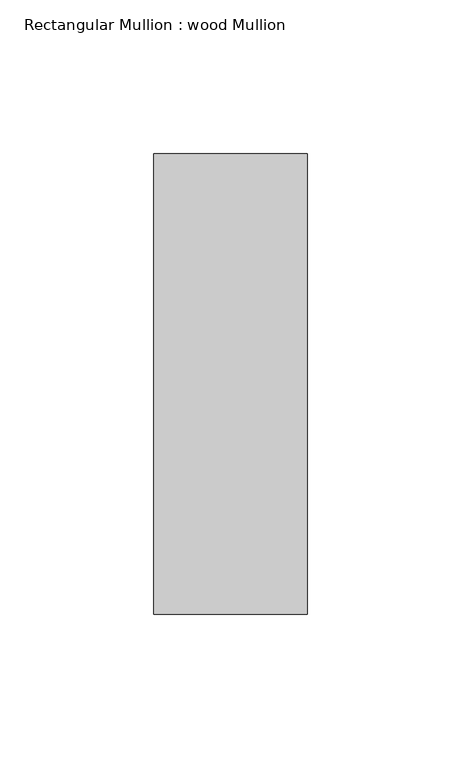
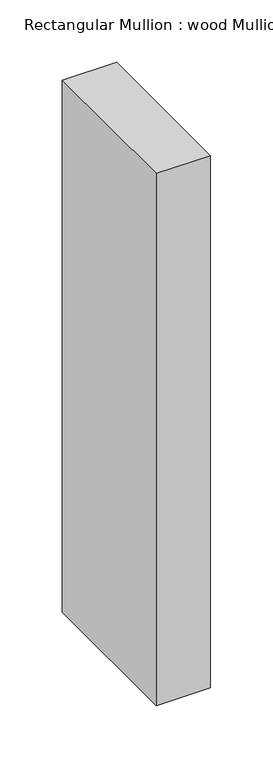
"""IFC4 building model written with IfcOpenShell, lengths in millimetres: member geometry, Rectangular Mullion : wood Mullion."""

import ifcopenshell
import ifcopenshell.guid

model = None  # the IFC model being written
_history = None  # IfcOwnerHistory: only IFC2X3 demands one
_inside = {}  # id of a spatial element -> (the spatial element, [elements in it])
_under = {}  # id of a project, library or spatial element -> (it, [spatial elements below it])
_declared = {}  # id of a project -> (the project, [libraries it declares])
_typed = {}  # id of a type object -> (the type object, [elements of that type])
_made_of = {}  # id of a material, layer set ... -> (it, [elements and type objects made of it])


def new_model(schema):
    """Start an empty IFC model of exactly this schema.

    Asked for "IFC4X3", IfcOpenShell would pick the latest addendum, in which some entities
    have other attributes; the version numbers below select the first issue.
    IFC2X3 requires an IfcOwnerHistory on every rooted entity: one is made here for all.
    """
    global model, _history
    if schema == "IFC4X3":
        model = ifcopenshell.file(schema_version=(4, 3, 0, 0))
    else:
        model = ifcopenshell.file(schema=schema)
    _inside.clear()
    _under.clear()
    _declared.clear()
    _typed.clear()
    _made_of.clear()
    _history = None
    if model.schema == "IFC2X3":
        org = make("IfcOrganization", Name="unknown")
        user = make(
            "IfcPersonAndOrganization",
            ThePerson=make("IfcPerson", FamilyName="unknown"),
            TheOrganization=org,
        )
        app = make(
            "IfcApplication",
            ApplicationDeveloper=org,
            Version="unknown",
            ApplicationFullName="unknown",
            ApplicationIdentifier="unknown",
        )
        _history = make(
            "IfcOwnerHistory",
            OwningUser=user,
            OwningApplication=app,
            ChangeAction="ADDED",
            CreationDate=0,
        )
    return model


def make(cls, **values):
    """One entity of the class cls with the attributes given. An attribute that is None is left unset."""
    return model.create_entity(
        cls, **{name: value for name, value in values.items() if value is not None}
    )


def rooted(cls, **values):
    """An entity with a GlobalId (a new one), such as an element, a storey or a relation."""
    return make(cls, GlobalId=ifcopenshell.guid.new(), OwnerHistory=_history, **values)


def si_unit(unit_type, name, prefix=None):
    """IfcSIUnit, for example si_unit("LENGTHUNIT", "METRE", prefix="MILLI")."""
    return make("IfcSIUnit", UnitType=unit_type, Prefix=prefix, Name=name)


def assignment(units):
    """IfcUnitAssignment: the units of a project."""
    return None if units is None else make("IfcUnitAssignment", Units=units)


def point(xyz):
    """IfcCartesianPoint."""
    return None if xyz is None else make("IfcCartesianPoint", Coordinates=xyz)


def direction(xyz):
    """IfcDirection."""
    return None if xyz is None else make("IfcDirection", DirectionRatios=xyz)


def frame(location, z_axis=None, x_axis=None):
    """IfcAxis2Placement3D, a coordinate frame: its origin and axes. An axis left out is left unset."""
    return make(
        "IfcAxis2Placement3D",
        Location=point(location),
        Axis=direction(z_axis),
        RefDirection=direction(x_axis),
    )


def origin():
    """The frame at (0, 0, 0) with its axes left unset."""
    return frame((0.0, 0.0, 0.0))


def place(relative_to, where):
    """IfcLocalPlacement: puts the frame where relative to a parent placement (None: the world)."""
    return make(
        "IfcLocalPlacement", PlacementRelTo=relative_to, RelativePlacement=where
    )


def context(
    kind, dimensions, precision=None, world=None, true_north=None, identifier=None
):
    """IfcGeometricRepresentationContext, for example the 3D "Model" context."""
    return make(
        "IfcGeometricRepresentationContext",
        ContextIdentifier=identifier,
        ContextType=kind,
        CoordinateSpaceDimension=dimensions,
        Precision=precision,
        WorldCoordinateSystem=world,
        TrueNorth=true_north,
    )


def project(units=None, contexts=None):
    """IfcProject with its units and contexts."""
    return rooted(
        "IfcProject",
        Name="project",
        RepresentationContexts=contexts,
        UnitsInContext=assignment(units),
    )


def spatial(cls, under=None, at=None, **own):
    """A site, building, storey or space (cls), placed at a placement, below another one or the project."""
    s = rooted(cls, ObjectPlacement=at, **own)
    if under is not None:
        _under.setdefault(under.id(), (under, []))[1].append(s)
    return s


def polyline(points):
    """IfcPolyline through the points."""
    return make("IfcPolyline", Points=[point(p) for p in points])


def outline(outer, holes=None, kind="AREA"):
    """IfcArbitraryClosedProfileDef: a profile drawn as a closed curve; with holes, ...WithVoids."""
    if holes is None:
        return make("IfcArbitraryClosedProfileDef", ProfileType=kind, OuterCurve=outer)
    return make(
        "IfcArbitraryProfileDefWithVoids",
        ProfileType=kind,
        OuterCurve=outer,
        InnerCurves=holes,
    )


def extrude(swept, where, along, depth):
    """IfcExtrudedAreaSolid: the profile swept, set in the frame where, extruded along a direction by depth."""
    return make(
        "IfcExtrudedAreaSolid",
        SweptArea=swept,
        Position=where,
        ExtrudedDirection=direction(along),
        Depth=depth,
    )


def shape(context_of_items, identifier, shape_type, items):
    """IfcShapeRepresentation: the items that make up one representation, for example the "Body"."""
    return make(
        "IfcShapeRepresentation",
        ContextOfItems=context_of_items,
        RepresentationIdentifier=identifier,
        RepresentationType=shape_type,
        Items=items,
    )


def source(mapping_origin, context_of_items, identifier, shape_type, items):
    """IfcRepresentationMap: a shape defined once, which mapped items show again and again."""
    return make(
        "IfcRepresentationMap",
        MappingOrigin=mapping_origin,
        MappedRepresentation=shape(context_of_items, identifier, shape_type, items),
    )


def transform(
    local_origin,
    x_axis=None,
    y_axis=None,
    z_axis=None,
    scale=None,
    scale2=None,
    scale3=None,
    uniform=True,
):
    """IfcCartesianTransformationOperator3D, or its non-uniform kind. x_axis, y_axis, z_axis: its Axis1, 2, 3."""
    if uniform:
        return make(
            "IfcCartesianTransformationOperator3D",
            Axis1=direction(x_axis),
            Axis2=direction(y_axis),
            LocalOrigin=point(local_origin),
            Scale=scale,
            Axis3=direction(z_axis),
        )
    return make(
        "IfcCartesianTransformationOperator3DnonUniform",
        Axis1=direction(x_axis),
        Axis2=direction(y_axis),
        LocalOrigin=point(local_origin),
        Scale=scale,
        Axis3=direction(z_axis),
        Scale2=scale2,
        Scale3=scale3,
    )


def mapped(mapping_source, mapping_target):
    """IfcMappedItem: shows the shape of a source again, moved by a transform."""
    return make(
        "IfcMappedItem", MappingSource=mapping_source, MappingTarget=mapping_target
    )


def made_of(thing, what):
    """Note that an element or type object is made of a material, layer set ...; save() writes the relation."""
    if what is not None:
        _made_of.setdefault(what.id(), (what, []))[1].append(thing)
    return thing


def element(
    cls,
    number,
    at=None,
    inside=None,
    cuts=None,
    type_object=None,
    material=None,
    context=None,
    identifier="Body",
    shape_type=None,
    held_by="IfcProductDefinitionShape",
    body=None,
    shapes=None,
    **own,
):
    """One element of the class cls, such as IfcWall. Its Tag is "e" and its number.

    at: its placement. inside: the storey or other place that contains it. cuts: it is an
    opening in that element (IfcRelVoidsElement). A single representation is given by context,
    identifier, shape_type and body (its items); several are given by shapes. held_by: the class
    of the entity that holds the representations. save() writes the other relations.
    """
    e = rooted(cls, Tag="e%d" % number, ObjectPlacement=at, **own)
    if body is not None:
        shapes = [shape(context, identifier, shape_type, body)]
    if shapes is not None:
        e.Representation = make(held_by, Representations=shapes)
    if inside is not None:
        _inside.setdefault(inside.id(), (inside, []))[1].append(e)
    if cuts is not None:
        rooted(
            "IfcRelVoidsElement", RelatingBuildingElement=cuts, RelatedOpeningElement=e
        )
    if type_object is not None:
        _typed.setdefault(type_object.id(), (type_object, []))[1].append(e)
    return made_of(e, material)


def aggregate(whole, parts):
    """IfcRelAggregates: a whole, such as a stair, and the parts it consists of."""
    return rooted("IfcRelAggregates", RelatingObject=whole, RelatedObjects=parts)


def save(model, path):
    """Write the relations noted so far, then the file.

    IfcRelAggregates (storeys below a building ...), IfcRelContainedInSpatialStructure (elements
    in a storey), IfcRelDefinesByType, IfcRelAssociatesMaterial and IfcRelDeclares: one each for
    every whole, place, type object, material and project.
    """
    for whole, parts in _under.values():
        aggregate(whole, parts)
    for where, things in _inside.values():
        rooted(
            "IfcRelContainedInSpatialStructure",
            RelatedElements=things,
            RelatingStructure=where,
        )
    for kind, things in _typed.values():
        rooted("IfcRelDefinesByType", RelatedObjects=things, RelatingType=kind)
    for what, things in _made_of.values():
        rooted("IfcRelAssociatesMaterial", RelatedObjects=things, RelatingMaterial=what)
    for by, libraries in _declared.values():
        rooted("IfcRelDeclares", RelatingContext=by, RelatedDefinitions=libraries)
    model.write(path)


def rectangular_mullion_wood_mullion_ccb5c1d5(model_context):
    return source(origin(), model_context, "Body", "SweptSolid", [
        extrude(outline(polyline([(0.0, 75.0), (0.0, -75.0), (-50.0, -75.0), (-50.0, 75.0), (0.0, 75.0)])), frame((0.0, 0.0, -520.0), z_axis=(0.0, 0.0, 1.0), x_axis=(1.0, 0.0, 0.0)), (0.0, 0.0, 1.0), 520.0),
    ])


if __name__ == "__main__":
    model = new_model("IFC4")
    model_context = context("Model", 3, world=origin())
    ifc_project = project(units=[si_unit("LENGTHUNIT", "METRE", prefix="MILLI")], contexts=[model_context])
    site = spatial("IfcSite", under=ifc_project)
    building = spatial("IfcBuilding", under=site)
    placement = place(None, origin())
    rectangular_mullion_wood_mullion_shape = rectangular_mullion_wood_mullion_ccb5c1d5(model_context)
    element("IfcMember", 1, ObjectType="Rectangular Mullion : wood Mullion", at=placement, inside=building, context=model_context, shape_type="MappedRepresentation", body=[
        mapped(rectangular_mullion_wood_mullion_shape, transform((0.0, 0.0, 0.0), x_axis=(1.0, 0.0, 0.0), y_axis=(0.0, 1.0, 0.0), z_axis=(0.0, 0.0, 1.0))),
    ])
    save(model, "model.ifc")
